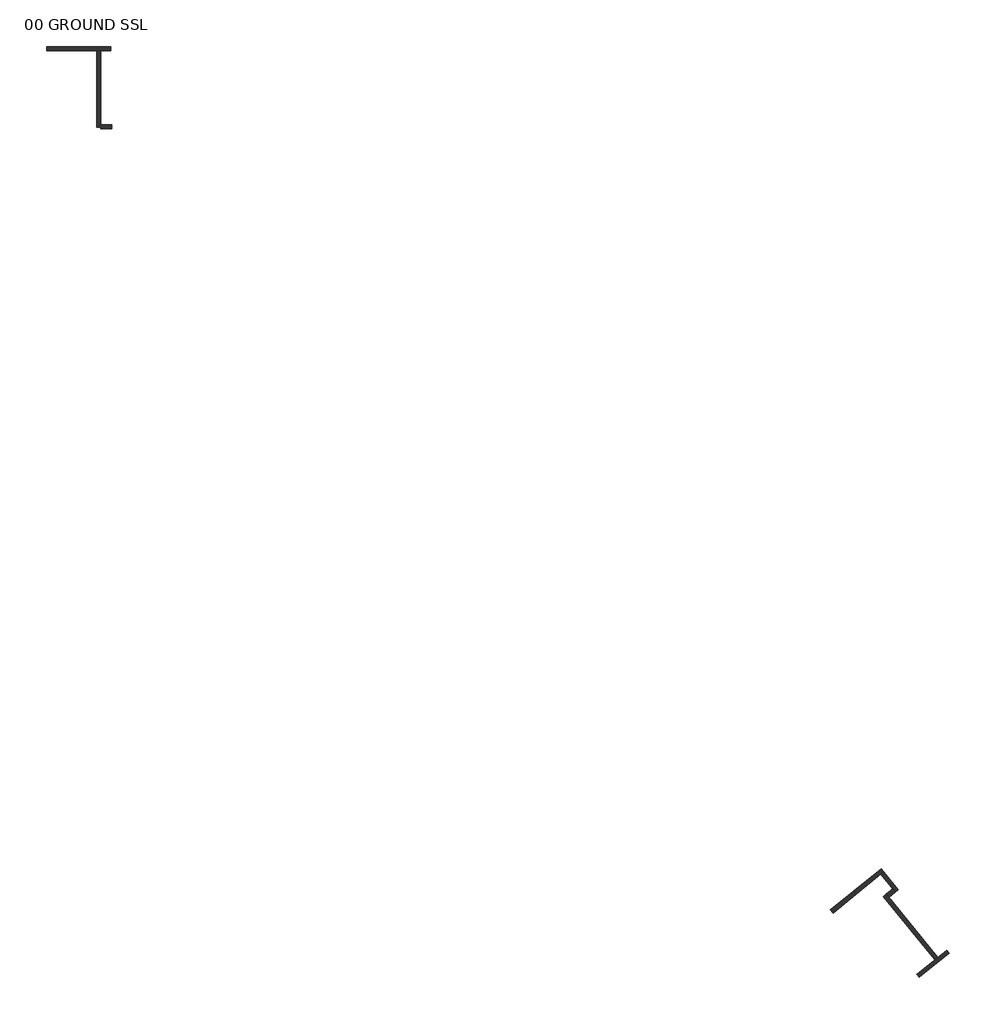
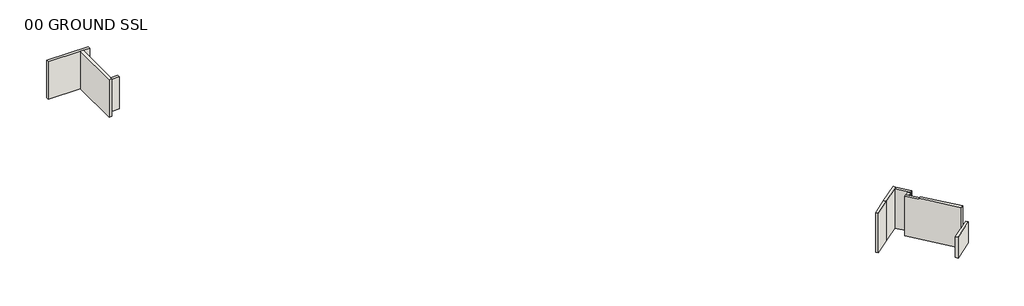
# One storey: 9 walls.
"""IFC4 building model written with IfcOpenShell, lengths in millimetres."""

from ifc_helpers import new_model, si_unit, frame, origin, place, context, project, spatial, polyline, outline, extrude, faceted_brep, element, save

model = new_model("IFC4")

# Units and contexts
model_context = context("Model", 3, world=origin())
ifc_project = project(units=[si_unit("LENGTHUNIT", "METRE", prefix="MILLI")], contexts=[model_context])

# Site, building, storey
site = spatial("IfcSite", under=ifc_project)
building = spatial("IfcBuilding", under=site)
storey = spatial("IfcBuildingStorey", under=building, Name="00 GROUND SSL", Elevation=35890.0)

# Walls
placement = place(None, origin())
element("IfcWall", 1, at=placement, inside=storey, context=model_context, shape_type="Brep", body=[
    faceted_brep([(-205406.1063484, 376969.0171952, 34990.0), (-203348.6902273, 378635.0799196, 34990.0), (-203348.6902273, 378635.0799196, 35000.0), (-203348.6902273, 378635.0799196, 39750.0), (-203581.8340158, 378446.2838023, 39750.0), (-205406.1063484, 376969.0171952, 39750.0), (-205406.1063484, 376969.0171952, 35000.0), (-205594.9024657, 377202.1609836, 34990.0), (-205594.9024657, 377202.1609836, 35000.0), (-205594.9024657, 377202.1609836, 39750.0), (-203537.4863447, 378868.2237081, 39750.0), (-203537.4863447, 378868.2237081, 34990.0)], [[[0, 1, 2, 3, 4, 5, 6]], [[7, 8, 9, 10, 11]], [[1, 0, 7, 11]], [[5, 4, 3, 10, 9]], [[0, 6, 5, 9, 8, 7]], [[3, 2, 1, 11, 10]]]),
])
element("IfcWall", 2, at=placement, inside=storey, context=model_context, shape_type="Brep", body=[
    faceted_brep([(-200753.3085473, 370854.153482, 35000.0), (-198548.3859242, 372639.6646167, 35000.0), (-198548.3859242, 372639.6646167, 37500.4482759), (-200753.3085473, 370854.153482, 37500.4482759), (-200942.1046646, 371087.2972705, 35000.0), (-200942.1046646, 371087.2972705, 37500.4482759), (-198737.1820415, 372872.8084051, 37500.4482759), (-198737.1820415, 372872.8084051, 35000.0), (-199391.9157162, 372342.6155294, 35000.0), (-199625.0595046, 372153.8194121, 35000.0)], [[[0, 1, 2, 3]], [[4, 5, 6, 7, 8, 9]], [[1, 0, 4, 9, 8, 7]], [[2, 1, 7, 6]], [[3, 2, 6, 5]], [[0, 3, 5, 4]]]),
])
element("IfcWall", 3, at=placement, inside=storey, context=model_context, shape_type="Brep", body=[
    faceted_brep([(-199391.9157162, 372342.6155294, 35000.0), (-202975.8953432, 376768.4617799, 35000.0), (-203164.6914605, 377001.6055683, 35000.0), (-203164.6914605, 377001.6055683, 39689.0), (-203164.6914605, 377001.6055683, 39750.0), (-202210.4844176, 375823.2580043, 39750.0), (-202210.4844176, 375823.2580043, 39900.0), (-199391.9157162, 372342.6155294, 39900.0), (-199625.0595046, 372153.8194121, 35000.0), (-199625.0595046, 372153.8194121, 39900.0), (-202443.628206, 375634.461887, 39900.0), (-202443.628206, 375634.461887, 39750.0), (-203397.8352489, 376812.809451, 39750.0), (-203397.8352489, 376812.809451, 35000.0)], [[[0, 1, 2, 3, 4, 5, 6, 7]], [[8, 9, 10, 11, 12, 13]], [[0, 7, 9, 8]], [[4, 3, 2, 13, 12]], [[2, 1, 0, 8, 13]], [[5, 4, 12, 11]], [[6, 5, 11, 10]], [[7, 6, 10, 9]]]),
])
element("IfcWall", 4, at=placement, inside=storey, context=model_context, shape_type="SweptSolid", body=[
    extrude(outline(polyline([(-202521.2767536, 377136.6046549), (-202975.8953432, 376768.4617799), (-203164.6914605, 377001.6055683), (-202710.0728709, 377369.7484434), (-202521.2767536, 377136.6046549)])), frame((0.0, 0.0, 35000.0), z_axis=(0.0, 0.0, 1.0), x_axis=(1.0, 0.0, 0.0)), (0.0, 0.0, 1.0), 4689.0),
])
element("IfcWall", 5, at=placement, inside=storey, context=model_context, shape_type="SweptSolid", body=[
    extrude(outline(polyline([(-205406.1063484, 376969.0171952), (-207101.1395022, 375596.4064115), (-207289.9356195, 375829.5501999), (-205594.9024657, 377202.1609836), (-205406.1063484, 376969.0171952)])), frame((0.0, 0.0, 35000.0), z_axis=(0.0, 0.0, 1.0), x_axis=(1.0, 0.0, 0.0)), (0.0, 0.0, 1.0), 4750.0),
])
element("IfcWall", 6, at=placement, inside=storey, context=model_context, shape_type="Brep", body=[
    faceted_brep([(-203581.8340158, 378446.2838023, 35000.0), (-202710.0728709, 377369.7484434, 35000.0), (-202521.2767536, 377136.6046549, 35000.0), (-202521.2767536, 377136.6046549, 39689.0), (-202521.2767536, 377136.6046549, 39750.0), (-203581.8340158, 378446.2838023, 39750.0), (-203348.6902273, 378635.0799196, 35000.0), (-203348.6902273, 378635.0799196, 39750.0), (-202288.1329652, 377325.4007723, 39750.0), (-202288.1329652, 377325.4007723, 35000.0)], [[[0, 1, 2, 3, 4, 5]], [[6, 7, 8, 9]], [[2, 1, 0, 6, 9]], [[5, 4, 8, 7]], [[0, 5, 7, 6]], [[4, 3, 2, 9, 8]]]),
])
element("IfcWall", 7, at=placement, inside=storey, context=model_context, shape_type="Brep", body=[
    faceted_brep([(-265025.7, 439116.8666704, 35232.0), (-261332.5174123, 439116.8666704, 35232.0), (-261032.5174123, 439116.8666704, 35232.0), (-260294.8824222, 439116.8666704, 35232.0), (-260294.8824222, 439116.8666704, 39750.0), (-261032.5174123, 439116.8666704, 39750.0), (-261332.5174123, 439116.8666704, 39750.0), (-265025.7, 439116.8666704, 39750.0), (-265025.7, 439416.8666704, 35232.0), (-265025.7, 439416.8666704, 39750.0), (-260294.8824222, 439416.8666704, 39750.0), (-260294.8824222, 439416.8666704, 35232.0)], [[[0, 1, 2, 3, 4, 5, 6, 7]], [[8, 9, 10, 11]], [[3, 2, 1, 0, 8, 11]], [[4, 3, 11, 10]], [[7, 6, 5, 4, 10, 9]], [[0, 7, 9, 8]]]),
])
element("IfcWall", 8, at=placement, inside=storey, context=model_context, shape_type="Brep", body=[
    faceted_brep([(-261032.5174123, 433344.6410057, 35900.0), (-260237.2, 433344.6410057, 35900.0), (-260237.2, 433344.6410057, 39750.0), (-261032.5174123, 433344.6410057, 39750.0), (-261032.5174123, 433644.6410057, 35900.0), (-261032.5174123, 433644.6410057, 39750.0), (-260237.2, 433644.6410057, 39750.0), (-260237.2, 433644.6410057, 35900.0), (-261032.5174123, 433457.1410057, 39750.0)], [[[0, 1, 2, 3]], [[4, 5, 6, 7]], [[1, 0, 4, 7]], [[2, 1, 7, 6]], [[3, 2, 6, 5, 8]], [[0, 3, 8, 5, 4]]]),
])
element("IfcWall", 9, at=placement, inside=storey, context=model_context, shape_type="SweptSolid", body=[
    extrude(outline(polyline([(-261032.5174123, 439116.8666704), (-261032.5174123, 433457.1410057), (-261332.5174123, 433457.1410057), (-261332.5174123, 439116.8666704), (-261032.5174123, 439116.8666704)])), frame((0.0, 0.0, 35232.0), z_axis=(0.0, 0.0, 1.0), x_axis=(1.0, 0.0, 0.0)), (0.0, 0.0, 1.0), 4518.0),
])

save(model, "model.ifc")
